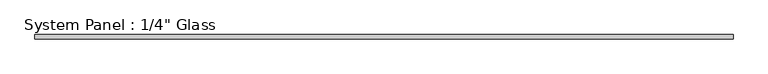
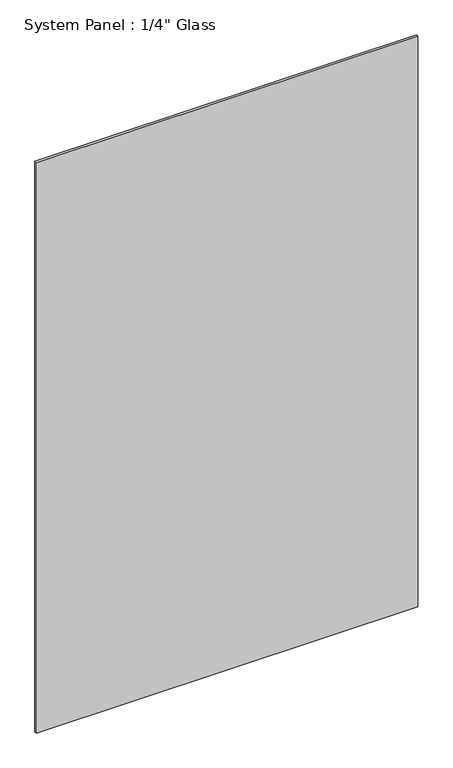
"""IFC4 building model written with IfcOpenShell, lengths in millimetres: plate geometry."""

from ifc_helpers import new_model, si_unit, origin, origin_with_axes, place, context, project, spatial, polyline, outline, extrude, source, transform, mapped, element, save


def plate_dff9cfaa(model_context):
    return source(origin(), model_context, "Body", "SweptSolid", [
        extrude(outline(polyline([(536.575, -3.175), (-536.575, -3.175), (-536.575, 3.175), (536.575, 3.175), (536.575, -3.175)])), origin_with_axes(), (0.0, 0.0, 1.0), 1695.45),
    ])


if __name__ == "__main__":
    model = new_model("IFC4")
    model_context = context("Model", 3, world=origin())
    ifc_project = project(units=[si_unit("LENGTHUNIT", "METRE", prefix="MILLI")], contexts=[model_context])
    site = spatial("IfcSite", under=ifc_project)
    building = spatial("IfcBuilding", under=site)
    placement = place(None, origin())
    plate_shape = plate_dff9cfaa(model_context)
    element("IfcPlate", 1, ObjectType="System Panel : 1/4\" Glass", at=placement, inside=building, context=model_context, shape_type="MappedRepresentation", body=[
        mapped(plate_shape, transform((0.0, 0.0, 0.0), x_axis=(1.0, 0.0, 0.0), y_axis=(0.0, 1.0, 0.0), z_axis=(0.0, 0.0, 1.0))),
    ])
    save(model, "model.ifc")
